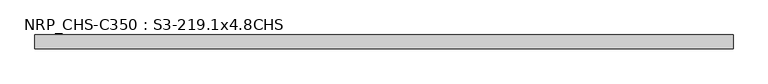
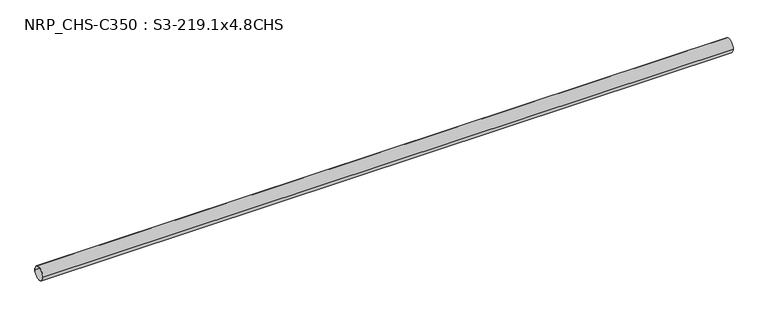
"""IFC4 building model written with IfcOpenShell, lengths in millimetres: beam geometry, NRP_CHS-C350 : S3-219.1x4.8CHS."""

from ifc_helpers import new_model, si_unit, point, frame, origin, origin_2d, place, context, project, spatial, circle_curve, trimmed, segment, composite_curve, outline, extrude, source, transform, mapped, element, save


def nrp_chs_c350_s3_219_1x4_8chs_f2148507(model_context):
    return source(origin(), model_context, "Body", "SweptSolid", [
        extrude(outline(composite_curve([segment(trimmed(circle_curve(origin_2d(), 109.55), [point((109.55, 0.0))], [point((-109.55, 0.0))], False, "CARTESIAN"), True, "CONTINUOUS"), segment(trimmed(circle_curve(origin_2d(), 109.55), [point((-109.55, 0.0))], [point((109.55, 0.0))], False, "CARTESIAN"), True, "CONTINUOUS")], self_intersect=False), holes=[composite_curve([segment(trimmed(circle_curve(origin_2d(), 104.75), [point((-104.75, 0.0))], [point((104.75, 0.0))], True, "CARTESIAN"), True, "CONTINUOUS"), segment(trimmed(circle_curve(origin_2d(), 104.75), [point((104.75, 0.0))], [point((-104.75, 0.0))], True, "CARTESIAN"), True, "CONTINUOUS")], self_intersect=False)]), frame((-5542.3, 0.0, 0.0), z_axis=(1.0, 0.0, 0.0), x_axis=(0.0, 1.0, 0.0)), (0.0, 0.0, 1.0), 11084.6),
    ])


if __name__ == "__main__":
    model = new_model("IFC4")
    model_context = context("Model", 3, world=origin())
    ifc_project = project(units=[si_unit("LENGTHUNIT", "METRE", prefix="MILLI")], contexts=[model_context])
    site = spatial("IfcSite", under=ifc_project)
    building = spatial("IfcBuilding", under=site)
    placement = place(None, origin())
    nrp_chs_c350_s3_219_1x4_8chs_shape = nrp_chs_c350_s3_219_1x4_8chs_f2148507(model_context)
    element("IfcBeam", 1, ObjectType="NRP_CHS-C350 : S3-219.1x4.8CHS", at=placement, inside=building, context=model_context, shape_type="MappedRepresentation", body=[
        mapped(nrp_chs_c350_s3_219_1x4_8chs_shape, transform((0.0, 0.0, 0.0), x_axis=(1.0, 0.0, 0.0), y_axis=(0.0, 1.0, 0.0), z_axis=(0.0, 0.0, 1.0))),
    ])
    save(model, "model.ifc")
